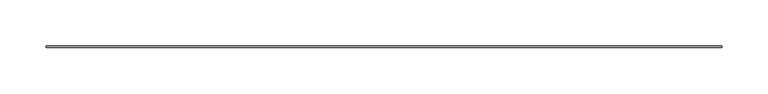
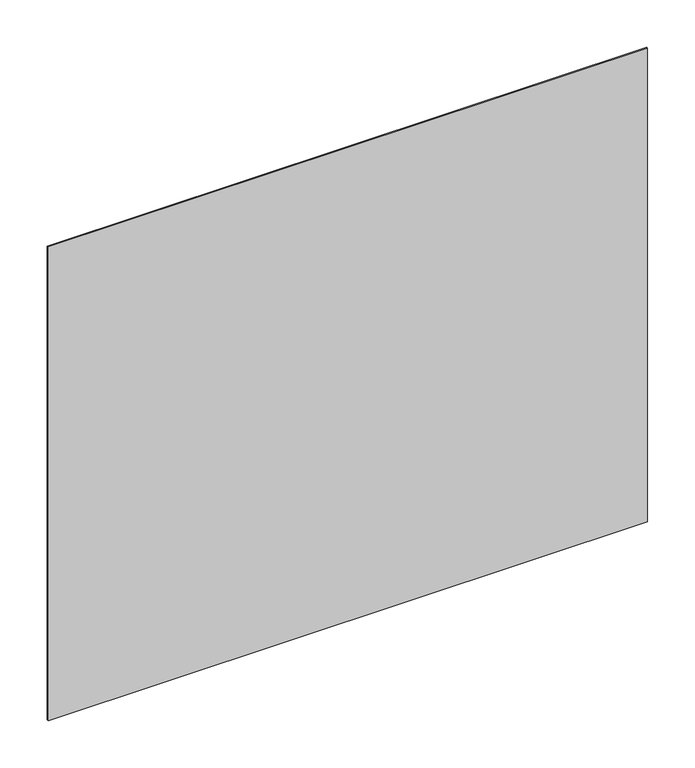
"""IFC4 building model written with IfcOpenShell, lengths in millimetres: furniture geometry."""

from ifc_helpers import new_model, si_unit, frame, origin, place, context, project, spatial, polyline, outline, extrude, source, transform, mapped, element, save


def furniture_cdc1c1f8(model_context):
    return source(origin(), model_context, "Body", "SweptSolid", [
        extrude(outline(polyline([(424.9539126, 177.8), (424.9539126, 176.2125), (-304.8, 176.2125), (-304.8, 177.8), (424.9539126, 177.8)])), frame((0.0, 0.0, 1422.4), z_axis=(0.0, 0.0, 1.0), x_axis=(1.0, 0.0, 0.0)), (0.0, 0.0, 1.0), 609.6),
    ])


if __name__ == "__main__":
    model = new_model("IFC4")
    model_context = context("Model", 3, world=origin())
    ifc_project = project(units=[si_unit("LENGTHUNIT", "METRE", prefix="MILLI")], contexts=[model_context])
    site = spatial("IfcSite", under=ifc_project)
    building = spatial("IfcBuilding", under=site)
    placement = place(None, origin())
    furniture_shape = furniture_cdc1c1f8(model_context)
    element("IfcFurniture", 1, at=placement, inside=building, context=model_context, shape_type="MappedRepresentation", body=[
        mapped(furniture_shape, transform((0.0, 0.0, 0.0), x_axis=(1.0, 0.0, 0.0), y_axis=(0.0, 1.0, 0.0), z_axis=(0.0, 0.0, 1.0))),
    ])
    save(model, "model.ifc")
